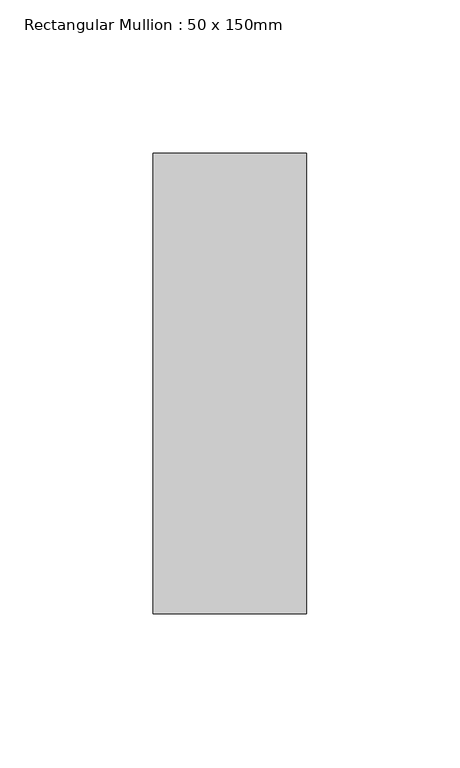
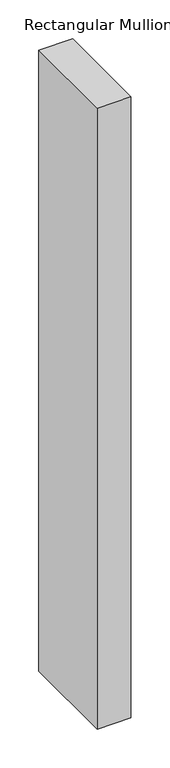
"""IFC4 building model written with IfcOpenShell, lengths in millimetres: member geometry, Rectangular Mullion : 50 x 150mm."""

from ifc_helpers import new_model, si_unit, frame, origin, place, context, project, spatial, polyline, outline, extrude, source, transform, mapped, element, save


def rectangular_mullion_50_x_150mm_2d8d1b9e(model_context):
    return source(origin(), model_context, "Body", "SweptSolid", [
        extrude(outline(polyline([(25.0, 75.0), (25.0, -75.0), (-25.0, -75.0), (-25.0, 75.0), (25.0, 75.0)])), frame((0.0, 0.0, -974.0), z_axis=(0.0, 0.0, 1.0), x_axis=(1.0, 0.0, 0.0)), (0.0, 0.0, 1.0), 974.0),
    ])


if __name__ == "__main__":
    model = new_model("IFC4")
    model_context = context("Model", 3, world=origin())
    ifc_project = project(units=[si_unit("LENGTHUNIT", "METRE", prefix="MILLI")], contexts=[model_context])
    site = spatial("IfcSite", under=ifc_project)
    building = spatial("IfcBuilding", under=site)
    placement = place(None, origin())
    rectangular_mullion_50_x_150mm_shape = rectangular_mullion_50_x_150mm_2d8d1b9e(model_context)
    element("IfcMember", 1, ObjectType="Rectangular Mullion : 50 x 150mm", at=placement, inside=building, context=model_context, shape_type="MappedRepresentation", body=[
        mapped(rectangular_mullion_50_x_150mm_shape, transform((0.0, 0.0, 0.0), x_axis=(1.0, 0.0, 0.0), y_axis=(0.0, 1.0, 0.0), z_axis=(0.0, 0.0, 1.0))),
    ])
    save(model, "model.ifc")
